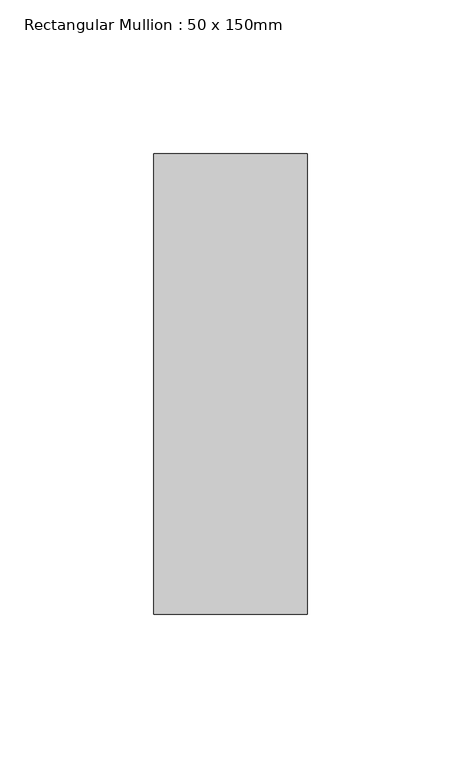
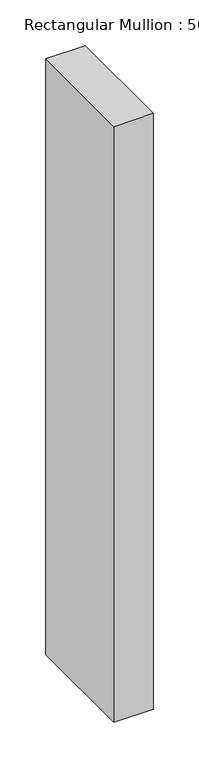
"""IFC4 building model written with IfcOpenShell, lengths in millimetres: member geometry, Rectangular Mullion : 50 x 150mm."""

from ifc_helpers import new_model, si_unit, frame, origin, place, context, project, spatial, polyline, outline, extrude, source, transform, mapped, element, save


def rectangular_mullion_50_x_150mm_81ad46ae(model_context):
    return source(origin(), model_context, "Body", "SweptSolid", [
        extrude(outline(polyline([(25.0, 75.0), (25.0, -75.0), (-25.0, -75.0), (-25.0, 75.0), (25.0, 75.0)])), frame((0.0, 0.0, -798.3333333), z_axis=(0.0, 0.0, 1.0), x_axis=(1.0, 0.0, 0.0)), (0.0, 0.0, 1.0), 798.3333333),
    ])


if __name__ == "__main__":
    model = new_model("IFC4")
    model_context = context("Model", 3, world=origin())
    ifc_project = project(units=[si_unit("LENGTHUNIT", "METRE", prefix="MILLI")], contexts=[model_context])
    site = spatial("IfcSite", under=ifc_project)
    building = spatial("IfcBuilding", under=site)
    placement = place(None, origin())
    rectangular_mullion_50_x_150mm_shape = rectangular_mullion_50_x_150mm_81ad46ae(model_context)
    element("IfcMember", 1, ObjectType="Rectangular Mullion : 50 x 150mm", at=placement, inside=building, context=model_context, shape_type="MappedRepresentation", body=[
        mapped(rectangular_mullion_50_x_150mm_shape, transform((0.0, 0.0, 0.0), x_axis=(1.0, 0.0, 0.0), y_axis=(0.0, 1.0, 0.0), z_axis=(0.0, 0.0, 1.0))),
    ])
    save(model, "model.ifc")
